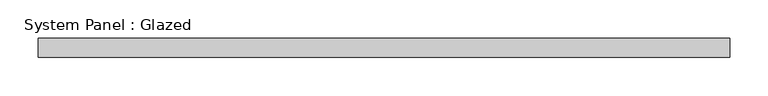
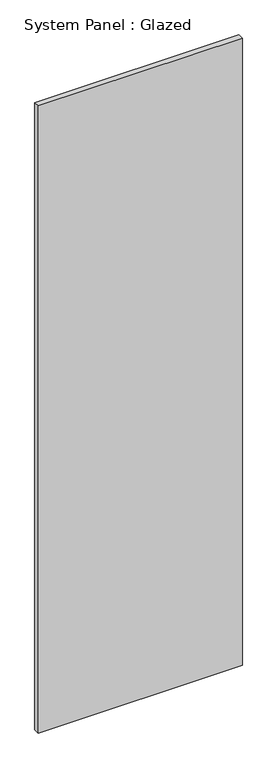
"""IFC4 building model written with IfcOpenShell, lengths in millimetres: plate geometry, System Panel : Glazed."""

from ifc_helpers import new_model, si_unit, origin, origin_with_axes, place, context, project, spatial, polyline, outline, extrude, source, transform, mapped, element, save


def system_panel_glazed_e262fbd7(model_context):
    return source(origin(), model_context, "Body", "SweptSolid", [
        extrude(outline(polyline([(454.0250951, 25.4), (-454.0250951, 25.4), (-454.0250951, 50.8), (454.0250951, 50.8), (454.0250951, 25.4)])), origin_with_axes(), (0.0, 0.0, 1.0), 2946.4),
    ])


if __name__ == "__main__":
    model = new_model("IFC4")
    model_context = context("Model", 3, world=origin())
    ifc_project = project(units=[si_unit("LENGTHUNIT", "METRE", prefix="MILLI")], contexts=[model_context])
    site = spatial("IfcSite", under=ifc_project)
    building = spatial("IfcBuilding", under=site)
    placement = place(None, origin())
    system_panel_glazed_shape = system_panel_glazed_e262fbd7(model_context)
    element("IfcPlate", 1, ObjectType="System Panel : Glazed", at=placement, inside=building, context=model_context, shape_type="MappedRepresentation", body=[
        mapped(system_panel_glazed_shape, transform((0.0, 0.0, 0.0), x_axis=(1.0, 0.0, 0.0), y_axis=(0.0, 1.0, 0.0), z_axis=(0.0, 0.0, 1.0))),
    ])
    save(model, "model.ifc")
